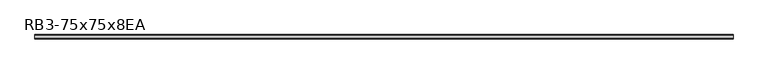
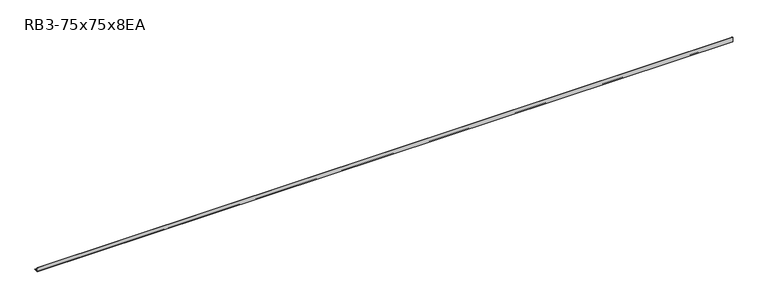
"""IFC4 building model written with IfcOpenShell, lengths in millimetres: member geometry, RB3-75x75x8EA."""

import ifcopenshell
import ifcopenshell.guid

model = None  # the IFC model being written
_history = None  # IfcOwnerHistory: only IFC2X3 demands one
_inside = {}  # id of a spatial element -> (the spatial element, [elements in it])
_under = {}  # id of a project, library or spatial element -> (it, [spatial elements below it])
_declared = {}  # id of a project -> (the project, [libraries it declares])
_typed = {}  # id of a type object -> (the type object, [elements of that type])
_made_of = {}  # id of a material, layer set ... -> (it, [elements and type objects made of it])


def new_model(schema):
    """Start an empty IFC model of exactly this schema.

    Asked for "IFC4X3", IfcOpenShell would pick the latest addendum, in which some entities
    have other attributes; the version numbers below select the first issue.
    IFC2X3 requires an IfcOwnerHistory on every rooted entity: one is made here for all.
    """
    global model, _history
    if schema == "IFC4X3":
        model = ifcopenshell.file(schema_version=(4, 3, 0, 0))
    else:
        model = ifcopenshell.file(schema=schema)
    _inside.clear()
    _under.clear()
    _declared.clear()
    _typed.clear()
    _made_of.clear()
    _history = None
    if model.schema == "IFC2X3":
        org = make("IfcOrganization", Name="unknown")
        user = make(
            "IfcPersonAndOrganization",
            ThePerson=make("IfcPerson", FamilyName="unknown"),
            TheOrganization=org,
        )
        app = make(
            "IfcApplication",
            ApplicationDeveloper=org,
            Version="unknown",
            ApplicationFullName="unknown",
            ApplicationIdentifier="unknown",
        )
        _history = make(
            "IfcOwnerHistory",
            OwningUser=user,
            OwningApplication=app,
            ChangeAction="ADDED",
            CreationDate=0,
        )
    return model


def make(cls, **values):
    """One entity of the class cls with the attributes given. An attribute that is None is left unset."""
    return model.create_entity(
        cls, **{name: value for name, value in values.items() if value is not None}
    )


def rooted(cls, **values):
    """An entity with a GlobalId (a new one), such as an element, a storey or a relation."""
    return make(cls, GlobalId=ifcopenshell.guid.new(), OwnerHistory=_history, **values)


def si_unit(unit_type, name, prefix=None):
    """IfcSIUnit, for example si_unit("LENGTHUNIT", "METRE", prefix="MILLI")."""
    return make("IfcSIUnit", UnitType=unit_type, Prefix=prefix, Name=name)


def assignment(units):
    """IfcUnitAssignment: the units of a project."""
    return None if units is None else make("IfcUnitAssignment", Units=units)


def point(xyz):
    """IfcCartesianPoint."""
    return None if xyz is None else make("IfcCartesianPoint", Coordinates=xyz)


def direction(xyz):
    """IfcDirection."""
    return None if xyz is None else make("IfcDirection", DirectionRatios=xyz)


def frame(location, z_axis=None, x_axis=None):
    """IfcAxis2Placement3D, a coordinate frame: its origin and axes. An axis left out is left unset."""
    return make(
        "IfcAxis2Placement3D",
        Location=point(location),
        Axis=direction(z_axis),
        RefDirection=direction(x_axis),
    )


def frame_2d(location, x_axis=None):
    """IfcAxis2Placement2D, a coordinate frame in the plane: its origin and x axis."""
    return make(
        "IfcAxis2Placement2D", Location=point(location), RefDirection=direction(x_axis)
    )


def origin():
    """The frame at (0, 0, 0) with its axes left unset."""
    return frame((0.0, 0.0, 0.0))


def place(relative_to, where):
    """IfcLocalPlacement: puts the frame where relative to a parent placement (None: the world)."""
    return make(
        "IfcLocalPlacement", PlacementRelTo=relative_to, RelativePlacement=where
    )


def context(
    kind, dimensions, precision=None, world=None, true_north=None, identifier=None
):
    """IfcGeometricRepresentationContext, for example the 3D "Model" context."""
    return make(
        "IfcGeometricRepresentationContext",
        ContextIdentifier=identifier,
        ContextType=kind,
        CoordinateSpaceDimension=dimensions,
        Precision=precision,
        WorldCoordinateSystem=world,
        TrueNorth=true_north,
    )


def project(units=None, contexts=None):
    """IfcProject with its units and contexts."""
    return rooted(
        "IfcProject",
        Name="project",
        RepresentationContexts=contexts,
        UnitsInContext=assignment(units),
    )


def spatial(cls, under=None, at=None, **own):
    """A site, building, storey or space (cls), placed at a placement, below another one or the project."""
    s = rooted(cls, ObjectPlacement=at, **own)
    if under is not None:
        _under.setdefault(under.id(), (under, []))[1].append(s)
    return s


def polyline(points):
    """IfcPolyline through the points."""
    return make("IfcPolyline", Points=[point(p) for p in points])


def circle_curve(where, radius):
    """IfcCircle in the frame where."""
    return make("IfcCircle", Position=where, Radius=radius)


def trimmed(basis, trim1, trim2, sense, master):
    """IfcTrimmedCurve: the piece of a basis curve between two trims."""
    return make(
        "IfcTrimmedCurve",
        BasisCurve=basis,
        Trim1=trim1,
        Trim2=trim2,
        SenseAgreement=sense,
        MasterRepresentation=master,
    )


def segment(curve, same_sense, transition):
    """IfcCompositeCurveSegment."""
    return make(
        "IfcCompositeCurveSegment",
        Transition=transition,
        SameSense=same_sense,
        ParentCurve=curve,
    )


def composite_curve(segments, self_intersect=None):
    """IfcCompositeCurve: segments joined end to end."""
    return make("IfcCompositeCurve", Segments=segments, SelfIntersect=self_intersect)


def outline(outer, holes=None, kind="AREA"):
    """IfcArbitraryClosedProfileDef: a profile drawn as a closed curve; with holes, ...WithVoids."""
    if holes is None:
        return make("IfcArbitraryClosedProfileDef", ProfileType=kind, OuterCurve=outer)
    return make(
        "IfcArbitraryProfileDefWithVoids",
        ProfileType=kind,
        OuterCurve=outer,
        InnerCurves=holes,
    )


def extrude(swept, where, along, depth):
    """IfcExtrudedAreaSolid: the profile swept, set in the frame where, extruded along a direction by depth."""
    return make(
        "IfcExtrudedAreaSolid",
        SweptArea=swept,
        Position=where,
        ExtrudedDirection=direction(along),
        Depth=depth,
    )


def shape(context_of_items, identifier, shape_type, items):
    """IfcShapeRepresentation: the items that make up one representation, for example the "Body"."""
    return make(
        "IfcShapeRepresentation",
        ContextOfItems=context_of_items,
        RepresentationIdentifier=identifier,
        RepresentationType=shape_type,
        Items=items,
    )


def source(mapping_origin, context_of_items, identifier, shape_type, items):
    """IfcRepresentationMap: a shape defined once, which mapped items show again and again."""
    return make(
        "IfcRepresentationMap",
        MappingOrigin=mapping_origin,
        MappedRepresentation=shape(context_of_items, identifier, shape_type, items),
    )


def transform(
    local_origin,
    x_axis=None,
    y_axis=None,
    z_axis=None,
    scale=None,
    scale2=None,
    scale3=None,
    uniform=True,
):
    """IfcCartesianTransformationOperator3D, or its non-uniform kind. x_axis, y_axis, z_axis: its Axis1, 2, 3."""
    if uniform:
        return make(
            "IfcCartesianTransformationOperator3D",
            Axis1=direction(x_axis),
            Axis2=direction(y_axis),
            LocalOrigin=point(local_origin),
            Scale=scale,
            Axis3=direction(z_axis),
        )
    return make(
        "IfcCartesianTransformationOperator3DnonUniform",
        Axis1=direction(x_axis),
        Axis2=direction(y_axis),
        LocalOrigin=point(local_origin),
        Scale=scale,
        Axis3=direction(z_axis),
        Scale2=scale2,
        Scale3=scale3,
    )


def mapped(mapping_source, mapping_target):
    """IfcMappedItem: shows the shape of a source again, moved by a transform."""
    return make(
        "IfcMappedItem", MappingSource=mapping_source, MappingTarget=mapping_target
    )


def made_of(thing, what):
    """Note that an element or type object is made of a material, layer set ...; save() writes the relation."""
    if what is not None:
        _made_of.setdefault(what.id(), (what, []))[1].append(thing)
    return thing


def element(
    cls,
    number,
    at=None,
    inside=None,
    cuts=None,
    type_object=None,
    material=None,
    context=None,
    identifier="Body",
    shape_type=None,
    held_by="IfcProductDefinitionShape",
    body=None,
    shapes=None,
    **own,
):
    """One element of the class cls, such as IfcWall. Its Tag is "e" and its number.

    at: its placement. inside: the storey or other place that contains it. cuts: it is an
    opening in that element (IfcRelVoidsElement). A single representation is given by context,
    identifier, shape_type and body (its items); several are given by shapes. held_by: the class
    of the entity that holds the representations. save() writes the other relations.
    """
    e = rooted(cls, Tag="e%d" % number, ObjectPlacement=at, **own)
    if body is not None:
        shapes = [shape(context, identifier, shape_type, body)]
    if shapes is not None:
        e.Representation = make(held_by, Representations=shapes)
    if inside is not None:
        _inside.setdefault(inside.id(), (inside, []))[1].append(e)
    if cuts is not None:
        rooted(
            "IfcRelVoidsElement", RelatingBuildingElement=cuts, RelatedOpeningElement=e
        )
    if type_object is not None:
        _typed.setdefault(type_object.id(), (type_object, []))[1].append(e)
    return made_of(e, material)


def aggregate(whole, parts):
    """IfcRelAggregates: a whole, such as a stair, and the parts it consists of."""
    return rooted("IfcRelAggregates", RelatingObject=whole, RelatedObjects=parts)


def save(model, path):
    """Write the relations noted so far, then the file.

    IfcRelAggregates (storeys below a building ...), IfcRelContainedInSpatialStructure (elements
    in a storey), IfcRelDefinesByType, IfcRelAssociatesMaterial and IfcRelDeclares: one each for
    every whole, place, type object, material and project.
    """
    for whole, parts in _under.values():
        aggregate(whole, parts)
    for where, things in _inside.values():
        rooted(
            "IfcRelContainedInSpatialStructure",
            RelatedElements=things,
            RelatingStructure=where,
        )
    for kind, things in _typed.values():
        rooted("IfcRelDefinesByType", RelatedObjects=things, RelatingType=kind)
    for what, things in _made_of.values():
        rooted("IfcRelAssociatesMaterial", RelatedObjects=things, RelatingMaterial=what)
    for by, libraries in _declared.values():
        rooted("IfcRelDeclares", RelatingContext=by, RelatedDefinitions=libraries)
    model.write(path)


def rb3_75x75x8ea_4f861822(model_context):
    return source(origin(), model_context, "Body", "SweptSolid", [
        extrude(outline(composite_curve([segment(polyline([(-21.3, -21.3), (-21.3, 53.7), (-18.3, 53.7)]), True, "CONTINUOUS"), segment(trimmed(circle_curve(frame_2d((-18.3, 48.7)), 5.0), [point((-18.3, 53.7))], [point((-13.3, 48.7))], False, "CARTESIAN"), True, "CONTINUOUS"), segment(polyline([(-13.3, 48.7), (-13.3, -5.3)]), True, "CONTINUOUS"), segment(trimmed(circle_curve(frame_2d((-5.3, -5.3)), 8.0), [point((-13.3, -5.3))], [point((-5.3, -13.3))], True, "CARTESIAN"), True, "CONTINUOUS"), segment(polyline([(-5.3, -13.3), (48.7, -13.3)]), True, "CONTINUOUS"), segment(trimmed(circle_curve(frame_2d((48.7, -18.3)), 5.0), [point((48.7, -13.3))], [point((53.7, -18.3))], False, "CARTESIAN"), True, "CONTINUOUS"), segment(polyline([(53.7, -18.3), (53.7, -21.3), (-21.3, -21.3)]), True, "CONTINUOUS")], self_intersect=False)), frame((-5925.0, 0.0, 0.0), z_axis=(1.0, 0.0, 0.0), x_axis=(0.0, 1.0, 0.0)), (0.0, 0.0, 1.0), 11895.0),
    ])


if __name__ == "__main__":
    model = new_model("IFC4")
    model_context = context("Model", 3, world=origin())
    ifc_project = project(units=[si_unit("LENGTHUNIT", "METRE", prefix="MILLI")], contexts=[model_context])
    site = spatial("IfcSite", under=ifc_project)
    building = spatial("IfcBuilding", under=site)
    placement = place(None, origin())
    rb3_75x75x8ea_shape = rb3_75x75x8ea_4f861822(model_context)
    element("IfcMember", 1, ObjectType="RB3-75x75x8EA", at=placement, inside=building, context=model_context, shape_type="MappedRepresentation", body=[
        mapped(rb3_75x75x8ea_shape, transform((0.0, 0.0, 0.0), x_axis=(1.0, 0.0, 0.0), y_axis=(0.0, 1.0, 0.0), z_axis=(0.0, 0.0, 1.0))),
    ])
    save(model, "model.ifc")
